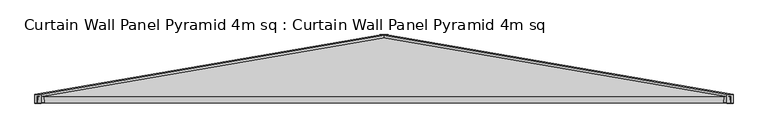
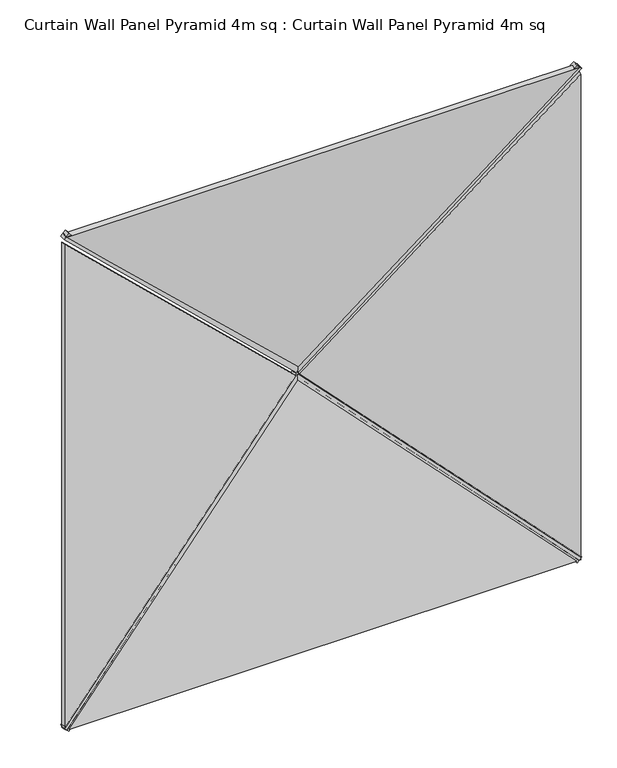
"""IFC4 building model written with IfcOpenShell, lengths in millimetres: plate geometry, Curtain Wall Panel Pyramid 4m sq : Curtain Wall Panel Pyramid 4m sq."""

from ifc_helpers import new_model, si_unit, frame, origin, place, context, project, spatial, polyline, outline, extrude, source, transform, mapped, element, save


def curtain_wall_panel_pyramid_4m_sq_curtain_wall_panel_pyramid_75c1be2d(model_context):
    return source(origin(), model_context, "Body", "SweptSolid", [
        extrude(outline(polyline([(-25.0, 0.0), (25.0, 0.0), (-319.5008531, -2828.2124727), (-369.5008531, -2828.2124727), (-25.0, 0.0)])), frame((1974.8223305, 25.0, -17.6776695), z_axis=(0.7071067811865489, 0.0, 0.7071067811865462), x_axis=(0.0, -1.0, 0.0)), (0.0, 0.0, 1.0), 50.0),
        extrude(outline(polyline([(-25.0, 0.0), (25.0, 0.0), (369.5008531, -2828.2124727), (319.5008531, -2828.2124727), (-25.0, 0.0)])), frame((-1974.8223305, 25.0, -17.6776695), z_axis=(-0.7071067811865476, 0.0, 0.7071067811865476), x_axis=(0.0, 1.0, 0.0)), (0.0, 0.0, 1.0), 50.0),
        extrude(outline(polyline([(-25.0, 0.0), (25.0, 0.0), (369.5008531, -2828.2124727), (319.5008531, -2828.2124727), (-25.0, 0.0)])), frame((-2010.1776695, 25.0, 4032.3223305), z_axis=(0.7071067811865488, 0.0, 0.7071067811865462), x_axis=(0.0, 1.0, 0.0)), (0.0, 0.0, 1.0), 50.0),
        extrude(outline(polyline([(-25.0, 0.0), (25.0, 0.0), (-319.5008531, -2828.2124727), (-369.5008531, -2828.2124727), (-25.0, 0.0)])), frame((2010.1776695, 25.0, 4032.3223305), z_axis=(-0.7071067811865472, 0.0, 0.7071067811865479), x_axis=(0.0, -1.0, 0.0)), (0.0, 0.0, 1.0), 50.0),
        extrude(outline(polyline([(1993.2098768, -1014.7271131), (-2.1709376, 1016.8143409), (3988.5906912, 1016.8143409), (1993.2098768, -1014.7271131)])), frame((1000.0, 172.8335872, 0.0), z_axis=(0.16975307948003834, 0.9854866270056859, 0.0), x_axis=(0.0, 0.0, 1.0)), (0.0, 0.0, 1.0), 40.0),
        extrude(outline(polyline([(0.0, -1014.7271131), (-1991.3928218, 1012.7540773), (1991.3928218, 1012.7540773), (0.0, -1014.7271131)])), frame((0.0, 212.2530523, 986.4197536), z_axis=(0.0, -0.9854866270056859, 0.16975307948003834), x_axis=(-1.0, 0.0, 0.0)), (0.0, 0.0, 1.0), 40.0),
        extrude(outline(polyline([(1993.2098768, 1014.7271131), (3986.6374086, -1014.8256606), (-0.217655, -1014.8256606), (1993.2098768, 1014.7271131)])), frame((-1000.0, 172.8335872, 0.0), z_axis=(-0.16975307948003834, 0.9854866270056859, 0.0), x_axis=(0.0, 0.0, 1.0)), (0.0, 0.0, 1.0), 40.0),
        extrude(outline(polyline([(1996.304868, -1017.8221042), (-1996.2959025, -1017.8221042), (2.4233431, 976.0594205), (1996.304868, -1017.8221042)])), frame((0.0, 172.8335872, 3043.2098768), z_axis=(0.0, 0.9854866270056859, 0.16975307948003832), x_axis=(1.0, 0.0, 0.0)), (0.0, 0.0, 1.0), 40.0),
    ])


if __name__ == "__main__":
    model = new_model("IFC4")
    model_context = context("Model", 3, world=origin())
    ifc_project = project(units=[si_unit("LENGTHUNIT", "METRE", prefix="MILLI")], contexts=[model_context])
    site = spatial("IfcSite", under=ifc_project)
    building = spatial("IfcBuilding", under=site)
    placement = place(None, origin())
    curtain_wall_panel_pyramid_4m_sq_curtain_wall_panel_pyramid_shape = curtain_wall_panel_pyramid_4m_sq_curtain_wall_panel_pyramid_75c1be2d(model_context)
    element("IfcPlate", 1, ObjectType="Curtain Wall Panel Pyramid 4m sq : Curtain Wall Panel Pyramid 4m sq", at=placement, inside=building, context=model_context, shape_type="MappedRepresentation", body=[
        mapped(curtain_wall_panel_pyramid_4m_sq_curtain_wall_panel_pyramid_shape, transform((0.0, 0.0, 0.0), x_axis=(1.0, 0.0, 0.0), y_axis=(0.0, 1.0, 0.0), z_axis=(0.0, 0.0, 1.0))),
    ])
    save(model, "model.ifc")
